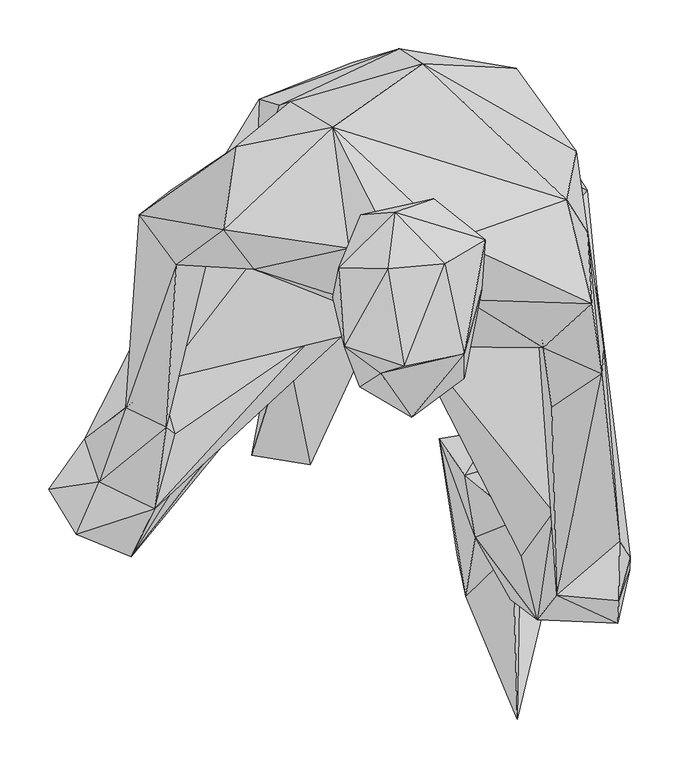
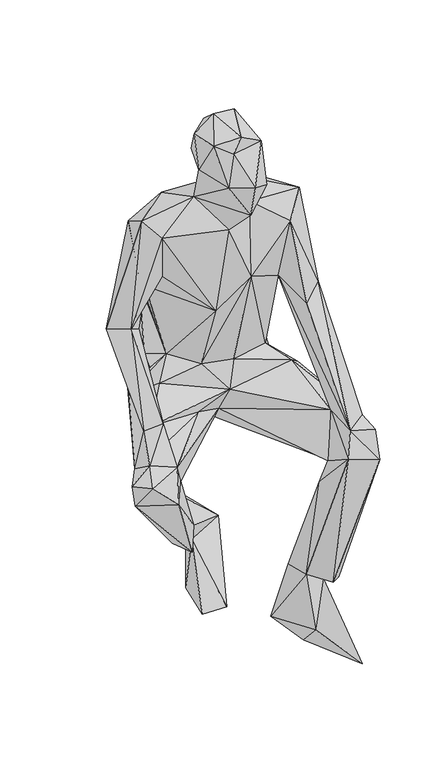
"""IFC4 building model written with IfcOpenShell, lengths in millimetres: geographic element geometry."""

from ifc_helpers import new_model, si_unit, origin, place, context, project, spatial, faceted_brep, source, transform, mapped, element, save


def geographic_element_16477995(model_context):
    return source(origin(), model_context, "Body", "Brep", [
        faceted_brep([(-3.5439112, -152.4386089, 1042.7690616), (-153.3929687, -103.9649384, 1040.6573882), (-37.5677156, -150.2510589, 823.76944), (-56.3451157, -82.5068121, 1111.3214355), (-147.7568876, -93.3001551, 925.7982855), (-233.6348266, -99.3736374, 809.7755213), (-184.759853, -63.7109197, 1075.6355391), (-158.3999376, -34.0440232, 866.2935984), (-157.6158683, -0.8807024, 870.4645526), (-118.6372325, -62.5981755, 678.0762589), (-194.37891, -65.0043331, 775.5358123), (-239.6978855, -23.4672014, 764.5772005), (-172.6894208, 21.2947165, 1022.1220129), (-116.5648163, 67.4638144, 800.1735112), (-250.2527802, -218.5120854, 612.9314824), (-243.7835455, -265.7086816, 646.2376038), (-271.4317109, -48.3078355, 793.1069634), (-73.147892, 41.2540244, 1055.3217996), (-285.5137551, -246.0741072, 627.9330772), (-312.2579417, -321.7738231, 586.0230254), (-327.2696693, -277.9208089, 555.1246932), (-255.6269137, -349.2729323, 578.632884), (-364.0948489, -329.5926411, 548.8515428), (-336.0777754, -375.7724417, 561.7397954), (-346.2065117, -312.4639055, 477.1067739), (-279.5144285, -398.5998879, 509.8289784), (-144.9557525, -144.600926, 271.9945874), (-179.8734941, -195.5515718, 243.5581356), (-277.3699428, -238.0073488, 483.1703842), (-157.3361586, -249.6575831, 243.312937), (-121.5958729, -194.4718039, 273.2559111), (-211.8107352, -290.1895308, 488.0282819), (-104.6256336, -125.8087888, 301.9544147), (-5.8221313, -108.3998294, 208.2363341), (-120.8840147, -182.8505523, 226.2309464), (-38.57924, 5.3158947, 464.6945836), (-17.5316536, -129.8234596, 528.3864671), (-99.1866502, -96.7878091, 296.1184942), (-57.7620671, -47.049235, 169.5031354), (-135.4194118, -181.5436907, 93.5179803), (-155.9825967, -294.3735384, 93.7244135), (-96.4428249, -304.20449, 100.5448985), (-148.3225804, 69.9974439, 543.4267454), (-211.7108378, -49.6225686, 587.8222512), (-160.9113942, -102.0260739, 632.9602521), (-183.4426202, 13.0552257, 590.3218316), (-154.9023669, -49.921512, 644.8619882), (-3.9278902, -158.1412236, 594.2691491), (-59.1441944, -121.4197859, 663.4689487), (-151.9669127, -17.8998483, 664.0590347), (-128.2494797, 63.8000436, 652.9619017), (19.0506109, 106.4721035, 727.5738626), (-5.2100168, 121.6304213, 601.0877416), (-53.9247126, 107.5713994, 536.4624196), (114.6169291, 102.0179006, 596.8571232), (176.0379352, 16.6664401, 678.7579572), (166.5676067, -33.0834049, 1057.2690833), (164.434416, -11.3558572, 635.8740251), (145.6253958, 43.1645582, 513.7688454), (150.1532625, -357.6990322, 460.1620677), (161.323456, -39.5602728, 483.9962661), (187.6228131, -23.0715961, 540.4564671), (135.4426874, -140.2011496, 858.1881417), (130.3903891, -89.612237, 638.0323689), (197.33235, -122.8351801, 581.4801979), (231.3572885, -399.2320846, 504.8346457), (193.4439516, -356.3635007, 452.1832112), (167.7384207, -147.9016226, 611.8723674), (220.5654951, -382.662828, 580.1238942), (219.8103639, -443.5328786, 576.1285949), (230.7902993, -411.9026908, 450.3964428), (218.6222943, -466.729665, 504.9500999), (156.0203414, -437.9673546, 591.2752078), (145.9098589, -402.728046, 160.1829658), (132.176934, -340.4566306, 162.5499109), (108.9731739, -442.3428719, 182.0763178), (136.0802485, -462.8936889, 532.1837598), (120.8991319, -405.0402889, 210.2155808), (110.9722392, -392.4135815, 162.1656249), (120.6298605, -298.762735, 175.4916587), (72.708047, -378.5633696, 178.2779821), (117.9455504, -360.7321933, 413.6081883), (62.2081563, -314.7948941, 173.1761375), (35.6632355, -277.7829136, 11.831181), (63.0660347, -438.8766235, 60.6972158), (115.8696771, -564.8713638, 22.8866559), (54.3615923, -396.7555712, 9.9679631), (90.7140512, -268.5760822, 21.1217997), (145.2478898, -440.7472258, -5.0445161), (119.8217481, -397.7657209, 494.4827495), (152.8852116, -352.6768343, 599.5200202), (-99.4227144, -179.8082717, 577.6079226), (202.1607136, -211.1486319, 860.1055635), (151.3414662, -245.519635, 834.8220484), (204.4547026, -187.2259951, 779.0666722), (187.9404611, -66.5084339, 973.2792257), (192.1308315, -139.2696632, 1085.9891042), (142.4647701, -184.3378223, 1036.490666), (62.4800577, -135.3238655, 1089.5185336), (37.9070262, -183.6968638, 915.5722743), (49.4847403, -74.0928641, 1135.1581672), (-18.4105483, -66.7016349, 1137.427912), (30.2198712, -31.7178625, 1234.6936312), (-73.1012812, -133.0611987, 1224.005088), (-44.3006115, -48.414647, 1224.1945115), (-45.5391848, -224.3653657, 1218.2297556), (3.5031871, -242.0407355, 1135.2348187), (-61.6211474, -182.943774, 1317.7847699), (-67.2224454, -102.6081505, 1305.842145), (-9.6688037, -45.8393054, 1295.4153854), (-16.6412087, -103.6317336, 1344.9547125), (-23.9913517, -210.6688444, 1297.9137737), (0.137728, -203.802747, 1334.2604472), (7.544672, -255.9542624, 1219.5608465), (61.4562474, -190.6132675, 1293.7117655), (41.6839043, -98.722561, 1336.482866), (83.0257078, -73.8097122, 1262.3317086), (79.4738447, -125.4017785, 1218.6800091), (61.6596855, -216.0053375, 1184.8912093), (20.2119124, -134.7268207, 658.2588472), (-234.7827674, -272.6080682, 599.1491005)], [[[0, 1, 2]], [[0, 3, 1]], [[4, 1, 5]], [[4, 2, 1]], [[3, 6, 1]], [[1, 6, 5]], [[4, 7, 2]], [[7, 4, 5]], [[8, 9, 7]], [[7, 9, 2]], [[7, 5, 10]], [[8, 7, 10]], [[11, 8, 10]], [[12, 8, 11]], [[13, 9, 8]], [[12, 13, 8]], [[11, 10, 14]], [[10, 5, 15]], [[10, 15, 14]], [[14, 16, 11]], [[11, 16, 12]], [[6, 12, 16]], [[17, 13, 12]], [[6, 17, 12]], [[16, 14, 18]], [[16, 5, 6]], [[16, 18, 5]], [[19, 18, 20]], [[19, 15, 18]], [[5, 18, 15]], [[20, 18, 14]], [[15, 19, 21]], [[20, 22, 19]], [[23, 21, 19]], [[23, 19, 22]], [[23, 22, 24]], [[22, 20, 24]], [[21, 23, 25]], [[24, 25, 23]], [[24, 26, 27]], [[28, 26, 24]], [[28, 24, 20]], [[24, 27, 29]], [[25, 24, 29]], [[29, 30, 25]], [[30, 31, 25]], [[31, 21, 25]], [[29, 27, 30]], [[27, 26, 30]], [[30, 32, 31]], [[32, 30, 33]], [[33, 30, 34]], [[26, 34, 30]], [[32, 28, 31]], [[35, 31, 28]], [[36, 21, 31]], [[31, 35, 36]], [[32, 26, 28]], [[26, 32, 37]], [[32, 33, 37]], [[38, 37, 33]], [[37, 38, 26]], [[34, 26, 38]], [[34, 38, 39]], [[38, 33, 39]], [[40, 34, 39]], [[39, 33, 41]], [[41, 40, 39]], [[40, 41, 34]], [[33, 34, 41]], [[20, 42, 28]], [[35, 28, 42]], [[14, 43, 20]], [[20, 43, 42]], [[14, 44, 43]], [[44, 9, 43]], [[43, 45, 42]], [[43, 9, 46]], [[43, 46, 45]], [[44, 14, 47]], [[9, 44, 48]], [[47, 48, 44]], [[9, 49, 46]], [[13, 49, 9]], [[2, 9, 48]], [[49, 45, 46]], [[45, 49, 42]], [[42, 49, 50]], [[49, 13, 50]], [[13, 51, 50]], [[13, 17, 51]], [[50, 52, 42]], [[52, 50, 51]], [[42, 52, 53]], [[35, 42, 53]], [[54, 52, 51]], [[53, 52, 54]], [[54, 51, 55]], [[51, 56, 55]], [[51, 17, 56]], [[57, 58, 54]], [[54, 55, 57]], [[53, 54, 58]], [[58, 35, 53]], [[35, 59, 36]], [[35, 60, 59]], [[60, 35, 58]], [[58, 57, 61]], [[58, 61, 60]], [[62, 63, 57]], [[61, 57, 63]], [[55, 62, 57]], [[61, 64, 60]], [[64, 61, 63]], [[60, 65, 66]], [[64, 65, 60]], [[59, 60, 66]], [[67, 68, 64]], [[64, 68, 65]], [[64, 63, 67]], [[65, 68, 69]], [[70, 65, 69]], [[65, 70, 66]], [[70, 69, 71]], [[71, 69, 72]], [[69, 68, 72]], [[70, 73, 74]], [[74, 66, 70]], [[71, 73, 70]], [[75, 71, 76]], [[76, 71, 72]], [[73, 71, 75]], [[77, 74, 73]], [[75, 77, 73]], [[74, 78, 79]], [[79, 66, 74]], [[74, 77, 78]], [[75, 80, 77]], [[77, 80, 78]], [[76, 80, 75]], [[80, 76, 81]], [[81, 82, 80]], [[80, 82, 83]], [[83, 84, 80]], [[78, 80, 84]], [[85, 79, 78]], [[85, 78, 84]], [[83, 86, 84]], [[86, 85, 84]], [[87, 83, 82]], [[87, 86, 83]], [[87, 82, 79]], [[82, 81, 79]], [[87, 79, 85]], [[87, 85, 88]], [[88, 86, 87]], [[88, 85, 86]], [[79, 81, 66]], [[66, 81, 59]], [[89, 36, 59]], [[89, 59, 81]], [[89, 90, 36]], [[36, 90, 47]], [[36, 91, 21]], [[91, 36, 47]], [[90, 89, 76]], [[89, 81, 76]], [[72, 90, 76]], [[62, 90, 72]], [[92, 72, 68]], [[62, 72, 93]], [[92, 93, 72]], [[90, 94, 68]], [[68, 67, 90]], [[94, 92, 68]], [[90, 62, 94]], [[94, 95, 92]], [[62, 95, 94]], [[95, 96, 92]], [[92, 96, 97]], [[93, 92, 97]], [[97, 62, 93]], [[97, 98, 99]], [[62, 97, 99]], [[98, 97, 96]], [[96, 100, 98]], [[56, 100, 96]], [[56, 96, 95]], [[95, 62, 55]], [[56, 95, 55]], [[100, 56, 17]], [[100, 17, 101]], [[3, 101, 17]], [[3, 17, 6]], [[102, 100, 101]], [[103, 104, 101]], [[103, 101, 3]], [[101, 104, 102]], [[105, 3, 106]], [[103, 3, 105]], [[3, 0, 106]], [[103, 107, 108]], [[107, 103, 105]], [[108, 104, 103]], [[104, 108, 109]], [[104, 109, 102]], [[108, 107, 110]], [[110, 109, 108]], [[107, 111, 112]], [[107, 105, 111]], [[112, 110, 107]], [[111, 105, 113]], [[106, 113, 105]], [[114, 111, 113]], [[111, 114, 112]], [[114, 115, 112]], [[112, 115, 110]], [[109, 110, 115]], [[115, 116, 109]], [[116, 102, 109]], [[116, 115, 114]], [[117, 116, 114]], [[117, 114, 118]], [[113, 118, 114]], [[106, 118, 113]], [[117, 118, 98]], [[98, 118, 106]], [[100, 116, 117]], [[100, 117, 98]], [[102, 116, 100]], [[0, 98, 106]], [[99, 98, 0]], [[2, 99, 0]], [[62, 99, 63]], [[119, 99, 48]], [[119, 63, 99]], [[48, 99, 2]], [[63, 119, 67]], [[47, 119, 48]], [[67, 119, 47]], [[67, 47, 90]], [[47, 14, 91]], [[14, 120, 91]], [[14, 15, 120]], [[120, 21, 91]], [[120, 15, 21]]]),
    ])


if __name__ == "__main__":
    model = new_model("IFC4")
    model_context = context("Model", 3, world=origin())
    ifc_project = project(units=[si_unit("LENGTHUNIT", "METRE", prefix="MILLI")], contexts=[model_context])
    site = spatial("IfcSite", under=ifc_project)
    building = spatial("IfcBuilding", under=site)
    placement = place(None, origin())
    geographic_element_shape = geographic_element_16477995(model_context)
    element("IfcGeographicElement", 1, at=placement, inside=building, context=model_context, shape_type="MappedRepresentation", body=[
        mapped(geographic_element_shape, transform((0.0, 0.0, 0.0), x_axis=(1.0, 0.0, 0.0), y_axis=(0.0, 1.0, 0.0), z_axis=(0.0, 0.0, 1.0))),
    ])
    save(model, "model.ifc")
